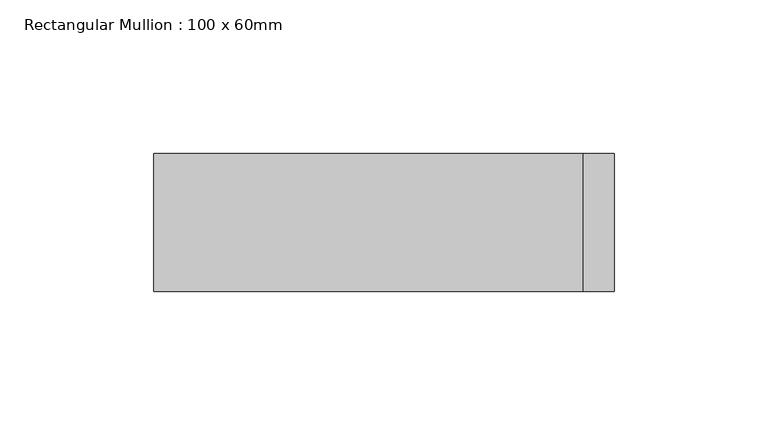
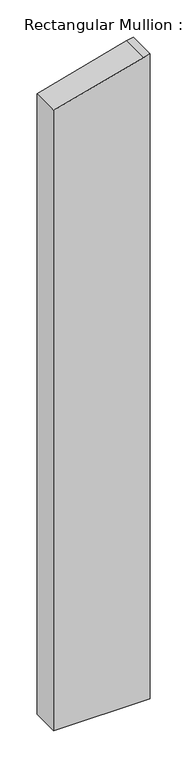
"""IFC4 building model written with IfcOpenShell, lengths in millimetres: member geometry, Rectangular Mullion : 100 x 60mm."""

from ifc_helpers import new_model, si_unit, frame, origin, place, context, project, spatial, polyline, outline, extrude, source, transform, mapped, element, save


def rectangular_mullion_100_x_60mm_d5415e08(model_context):
    return source(origin(), model_context, "Body", "SweptSolid", [
        extrude(outline(polyline([(-238.7228557, 75.0), (-241.4814566, 64.7047613), (-278.9152345, -75.0), (-1299.3999381, -75.0), (-1299.3999381, 75.0), (-238.7228557, 75.0)])), frame((0.0, -15.0, 0.0), z_axis=(0.0, 1.0, 0.0), x_axis=(0.0, 0.0, 1.0)), (0.0, 0.0, 1.0), 45.0),
    ])


if __name__ == "__main__":
    model = new_model("IFC4")
    model_context = context("Model", 3, world=origin())
    ifc_project = project(units=[si_unit("LENGTHUNIT", "METRE", prefix="MILLI")], contexts=[model_context])
    site = spatial("IfcSite", under=ifc_project)
    building = spatial("IfcBuilding", under=site)
    placement = place(None, origin())
    rectangular_mullion_100_x_60mm_shape = rectangular_mullion_100_x_60mm_d5415e08(model_context)
    element("IfcMember", 1, ObjectType="Rectangular Mullion : 100 x 60mm", at=placement, inside=building, context=model_context, shape_type="MappedRepresentation", body=[
        mapped(rectangular_mullion_100_x_60mm_shape, transform((0.0, 0.0, 0.0), x_axis=(1.0, 0.0, 0.0), y_axis=(0.0, 1.0, 0.0), z_axis=(0.0, 0.0, 1.0))),
    ])
    save(model, "model.ifc")
